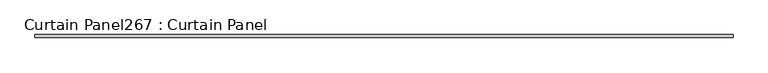
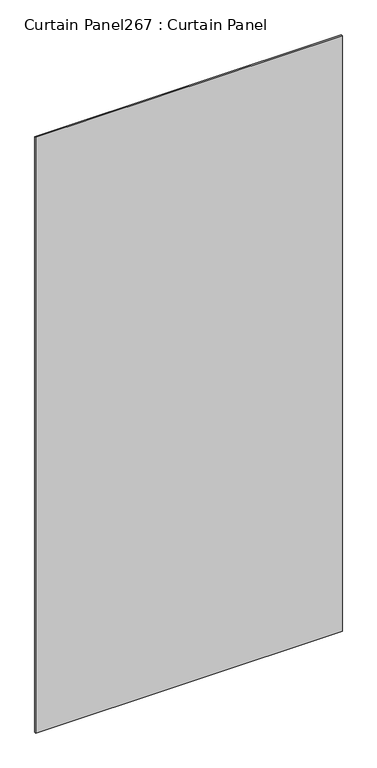
"""IFC4 building model written with IfcOpenShell, lengths in millimetres: plate geometry, Curtain Panel267 : Curtain Panel."""

from ifc_helpers import new_model, si_unit, frame, origin, place, context, project, spatial, polyline, outline, extrude, source, transform, mapped, element, save


def curtain_panel267_curtain_panel_e76c2abe(model_context):
    return source(origin(), model_context, "Body", "SweptSolid", [
        extrude(outline(polyline([(661907.366894, 1905.8496645), (660422.5668423, 1905.8496645), (660422.5668423, 1912.1996645), (661907.366894, 1912.1996645), (661907.366894, 1905.8496645)])), frame((0.0, 0.0, 4959.7989371), z_axis=(0.0, 0.0, 1.0), x_axis=(1.0, 0.0, 0.0)), (0.0, 0.0, 1.0), 3048.0),
    ])


if __name__ == "__main__":
    model = new_model("IFC4")
    model_context = context("Model", 3, world=origin())
    ifc_project = project(units=[si_unit("LENGTHUNIT", "METRE", prefix="MILLI")], contexts=[model_context])
    site = spatial("IfcSite", under=ifc_project)
    building = spatial("IfcBuilding", under=site)
    placement = place(None, origin())
    curtain_panel267_curtain_panel_shape = curtain_panel267_curtain_panel_e76c2abe(model_context)
    element("IfcPlate", 1, ObjectType="Curtain Panel267 : Curtain Panel", at=placement, inside=building, context=model_context, shape_type="MappedRepresentation", body=[
        mapped(curtain_panel267_curtain_panel_shape, transform((0.0, 0.0, 0.0), x_axis=(1.0, 0.0, 0.0), y_axis=(0.0, 1.0, 0.0), z_axis=(0.0, 0.0, 1.0))),
    ])
    save(model, "model.ifc")
